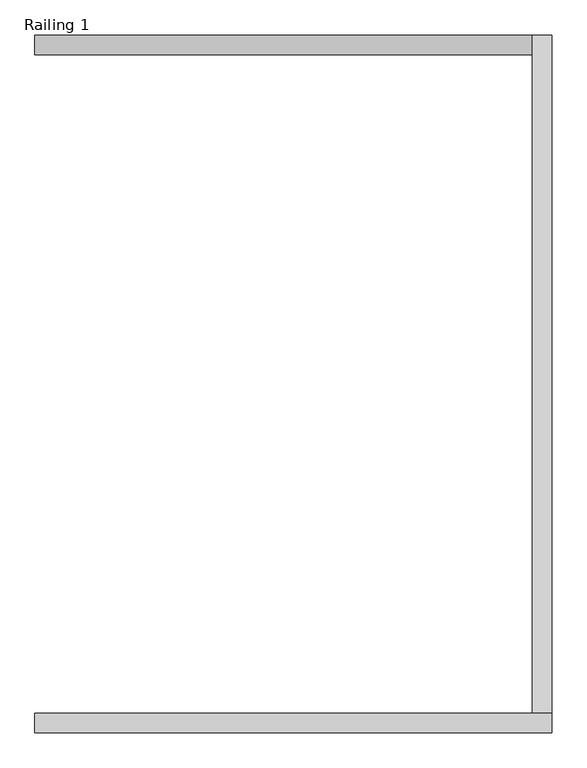
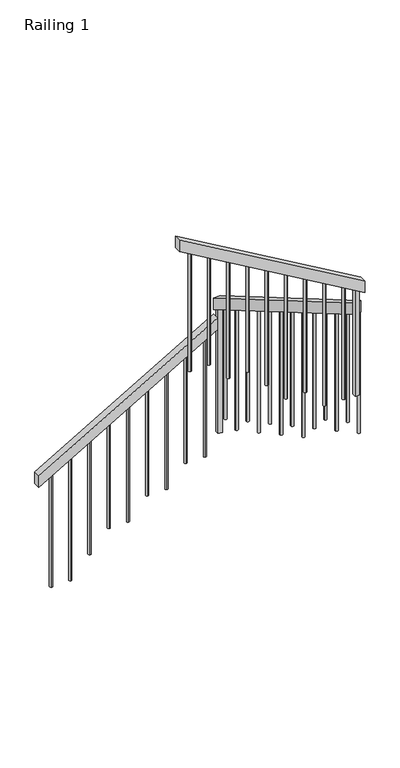
"""IFC4 building model written with IfcOpenShell, lengths in millimetres: railing geometry, Railing 1."""

from ifc_helpers import new_model, si_unit, frame, origin, place, context, project, spatial, polyline, circle_curve, ellipse_curve, outline, extrude, source, transform, mapped, element, save
from ifc_brep_helpers import plane_surface, cylinder_surface, advanced_brep


def railing_1_93be4c12(model_context):
    return source(origin(), model_context, "Body", "SolidModel", [
        extrude(outline(polyline([(1052.0, 4155.1809005), (963.733716, 4155.1809005), (1723.733716, 5455.1809005), (1812.0, 5455.1809005), (1052.0, 4155.1809005)])), frame((0.0, 948.1591595, 0.0), z_axis=(0.0, 1.0, 0.0), x_axis=(0.0, 0.0, 1.0)), (0.0, 0.0, 1.0), 50.8),
        extrude(outline(polyline([(998.9591595, 1934.3015385), (998.9591595, 1846.0352545), (-771.8408405, 2881.2721775), (-771.8408405, 2969.5384615), (998.9591595, 1934.3015385)])), frame((5455.1809005, 0.0, 0.0), z_axis=(1.0, 0.0, 0.0), x_axis=(0.0, 1.0, 0.0)), (0.0, 0.0, 1.0), 50.8),
        extrude(outline(polyline([(3062.0352545, 5505.9809005), (3150.3015385, 5505.9809005), (3940.0, 4155.1809005), (3851.733716, 4155.1809005), (3062.0352545, 5505.9809005)])), frame((0.0, -822.6408405, 0.0), z_axis=(0.0, 1.0, 0.0), x_axis=(0.0, 0.0, 1.0)), (0.0, 0.0, 1.0), 50.8),
        advanced_brep(
        [(4245.1809005, -787.2408405, 3799.1183314), (4245.1809005, -787.2408405, 2888.0), (4245.1809005, -807.2408405, 2888.0), (4245.1809005, -807.2408405, 3799.1183314)],
        [
            (0, 1),
            (1, 2, circle_curve(frame((4245.1809005, -797.2408405, 2888.0), z_axis=(0.0, 0.0, 1.0), x_axis=(0.0, -1.0, 0.0)), 10.0)),
            (2, 3),
            (3, 0, ellipse_curve(frame((4245.1809005, -797.2408405, 3799.1183314), z_axis=(-0.5046965873311554, 0.0, -0.8632967941190824), x_axis=(-0.8632967941190824, 0.0, 0.5046965873311554)), 11.5835018, 10.0)),
            (0, 3, ellipse_curve(frame((4245.1809005, -797.2408405, 3799.1183314), z_axis=(-0.5046965873311554, 0.0, -0.8632967941190824), x_axis=(-0.8632967941190824, 0.0, 0.5046965873311554)), 11.5835018, 10.0)),
            (2, 1, circle_curve(frame((4245.1809005, -797.2408405, 2888.0), z_axis=(0.0, 0.0, 1.0), x_axis=(0.0, -1.0, 0.0)), 10.0)),
        ],
        [
            cylinder_surface(frame((4245.1809005, -797.2408405, 2788.0), z_axis=(0.0, 0.0, 1.0), x_axis=(0.0, -1.0, 0.0)), 10.0),
            plane_surface(frame((4225.1809005, -817.2408405, 3810.8106391), z_axis=(0.5046965873311554, 0.0, 0.8632967941190824), x_axis=(0.0, 1.0, 0.0))),
            plane_surface(frame((4265.1809005, -817.2408405, 2888.0), z_axis=(0.0, 0.0, -1.0), x_axis=(0.0, 1.0, 0.0))),
        ],
        [
            (0, [[1, 2, 3, 4]]),
            (0, [[-1, 5, -3, 6]]),
            (1, [[-4, -5]]),
            (2, [[-2, -6]]),
        ],
    ),
        advanced_brep(
        [(4385.1809005, -787.2408405, 3717.2721775), (4385.1809005, -787.2408405, 2888.0), (4385.1809005, -807.2408405, 2888.0), (4385.1809005, -807.2408405, 3717.2721775)],
        [
            (0, 1),
            (1, 2, circle_curve(frame((4385.1809005, -797.2408405, 2888.0), z_axis=(0.0, 0.0, 1.0), x_axis=(0.0, -1.0, 0.0)), 10.0)),
            (2, 3),
            (3, 0, ellipse_curve(frame((4385.1809005, -797.2408405, 3717.2721775), z_axis=(-0.5046965873311554, 0.0, -0.8632967941190824), x_axis=(-0.8632967941190824, 0.0, 0.5046965873311554)), 11.5835018, 10.0)),
            (0, 3, ellipse_curve(frame((4385.1809005, -797.2408405, 3717.2721775), z_axis=(-0.5046965873311554, 0.0, -0.8632967941190824), x_axis=(-0.8632967941190824, 0.0, 0.5046965873311554)), 11.5835018, 10.0)),
            (2, 1, circle_curve(frame((4385.1809005, -797.2408405, 2888.0), z_axis=(0.0, 0.0, 1.0), x_axis=(0.0, -1.0, 0.0)), 10.0)),
        ],
        [
            cylinder_surface(frame((4385.1809005, -797.2408405, 2788.0), z_axis=(0.0, 0.0, 1.0), x_axis=(0.0, -1.0, 0.0)), 10.0),
            plane_surface(frame((4365.1809005, -817.2408405, 3728.9644852), z_axis=(0.5046965873311554, 0.0, 0.8632967941190824), x_axis=(0.0, 1.0, 0.0))),
            plane_surface(frame((4405.1809005, -817.2408405, 2888.0), z_axis=(0.0, 0.0, -1.0), x_axis=(0.0, 1.0, 0.0))),
        ],
        [
            (0, [[1, 2, 3, 4]]),
            (0, [[-1, 5, -3, 6]]),
            (1, [[-4, -5]]),
            (2, [[-2, -6]]),
        ],
    ),
        advanced_brep(
        [(4525.1809005, -787.2408405, 3635.4260237), (4525.1809005, -787.2408405, 2736.0), (4525.1809005, -807.2408405, 2736.0), (4525.1809005, -807.2408405, 3635.4260237)],
        [
            (0, 1),
            (1, 2, circle_curve(frame((4525.1809005, -797.2408405, 2736.0), z_axis=(0.0, 0.0, 1.0), x_axis=(0.0, -1.0, 0.0)), 10.0)),
            (2, 3),
            (3, 0, ellipse_curve(frame((4525.1809005, -797.2408405, 3635.4260237), z_axis=(-0.5046965873311554, 0.0, -0.8632967941190824), x_axis=(-0.8632967941190824, 0.0, 0.5046965873311554)), 11.5835018, 10.0)),
            (0, 3, ellipse_curve(frame((4525.1809005, -797.2408405, 3635.4260237), z_axis=(-0.5046965873311554, 0.0, -0.8632967941190824), x_axis=(-0.8632967941190824, 0.0, 0.5046965873311554)), 11.5835018, 10.0)),
            (2, 1, circle_curve(frame((4525.1809005, -797.2408405, 2736.0), z_axis=(0.0, 0.0, 1.0), x_axis=(0.0, -1.0, 0.0)), 10.0)),
        ],
        [
            cylinder_surface(frame((4525.1809005, -797.2408405, 2636.0), z_axis=(0.0, 0.0, 1.0), x_axis=(0.0, -1.0, 0.0)), 10.0),
            plane_surface(frame((4505.1809005, -817.2408405, 3647.1183314), z_axis=(0.5046965873311554, 0.0, 0.8632967941190824), x_axis=(0.0, 1.0, 0.0))),
            plane_surface(frame((4545.1809005, -817.2408405, 2736.0), z_axis=(0.0, 0.0, -1.0), x_axis=(0.0, 1.0, 0.0))),
        ],
        [
            (0, [[1, 2, 3, 4]]),
            (0, [[-1, 5, -3, 6]]),
            (1, [[-4, -5]]),
            (2, [[-2, -6]]),
        ],
    ),
        advanced_brep(
        [(4665.1809005, -787.2408405, 3553.5798699), (4665.1809005, -787.2408405, 2736.0), (4665.1809005, -807.2408405, 2736.0), (4665.1809005, -807.2408405, 3553.5798699)],
        [
            (0, 1),
            (1, 2, circle_curve(frame((4665.1809005, -797.2408405, 2736.0), z_axis=(0.0, 0.0, 1.0), x_axis=(0.0, -1.0, 0.0)), 10.0)),
            (2, 3),
            (3, 0, ellipse_curve(frame((4665.1809005, -797.2408405, 3553.5798699), z_axis=(-0.5046965873311554, 0.0, -0.8632967941190824), x_axis=(-0.8632967941190824, 0.0, 0.5046965873311554)), 11.5835018, 10.0)),
            (0, 3, ellipse_curve(frame((4665.1809005, -797.2408405, 3553.5798699), z_axis=(-0.5046965873311554, 0.0, -0.8632967941190824), x_axis=(-0.8632967941190824, 0.0, 0.5046965873311554)), 11.5835018, 10.0)),
            (2, 1, circle_curve(frame((4665.1809005, -797.2408405, 2736.0), z_axis=(0.0, 0.0, 1.0), x_axis=(0.0, -1.0, 0.0)), 10.0)),
        ],
        [
            cylinder_surface(frame((4665.1809005, -797.2408405, 2636.0), z_axis=(0.0, 0.0, 1.0), x_axis=(0.0, -1.0, 0.0)), 10.0),
            plane_surface(frame((4645.1809005, -817.2408405, 3565.2721775), z_axis=(0.5046965873311554, 0.0, 0.8632967941190824), x_axis=(0.0, 1.0, 0.0))),
            plane_surface(frame((4685.1809005, -817.2408405, 2736.0), z_axis=(0.0, 0.0, -1.0), x_axis=(0.0, 1.0, 0.0))),
        ],
        [
            (0, [[1, 2, 3, 4]]),
            (0, [[-1, 5, -3, 6]]),
            (1, [[-4, -5]]),
            (2, [[-2, -6]]),
        ],
    ),
        advanced_brep(
        [(4805.1809005, -787.2408405, 3471.733716), (4805.1809005, -787.2408405, 2584.0), (4805.1809005, -807.2408405, 2584.0), (4805.1809005, -807.2408405, 3471.733716)],
        [
            (0, 1),
            (1, 2, circle_curve(frame((4805.1809005, -797.2408405, 2584.0), z_axis=(0.0, 0.0, 1.0), x_axis=(0.0, -1.0, 0.0)), 10.0)),
            (2, 3),
            (3, 0, ellipse_curve(frame((4805.1809005, -797.2408405, 3471.733716), z_axis=(-0.5046965873311554, 0.0, -0.8632967941190824), x_axis=(-0.8632967941190824, 0.0, 0.5046965873311554)), 11.5835018, 10.0)),
            (0, 3, ellipse_curve(frame((4805.1809005, -797.2408405, 3471.733716), z_axis=(-0.5046965873311554, 0.0, -0.8632967941190824), x_axis=(-0.8632967941190824, 0.0, 0.5046965873311554)), 11.5835018, 10.0)),
            (2, 1, circle_curve(frame((4805.1809005, -797.2408405, 2584.0), z_axis=(0.0, 0.0, 1.0), x_axis=(0.0, -1.0, 0.0)), 10.0)),
        ],
        [
            cylinder_surface(frame((4805.1809005, -797.2408405, 2484.0), z_axis=(0.0, 0.0, 1.0), x_axis=(0.0, -1.0, 0.0)), 10.0),
            plane_surface(frame((4785.1809005, -817.2408405, 3483.4260237), z_axis=(0.5046965873311554, 0.0, 0.8632967941190824), x_axis=(0.0, 1.0, 0.0))),
            plane_surface(frame((4825.1809005, -817.2408405, 2584.0), z_axis=(0.0, 0.0, -1.0), x_axis=(0.0, 1.0, 0.0))),
        ],
        [
            (0, [[1, 2, 3, 4]]),
            (0, [[-1, 5, -3, 6]]),
            (1, [[-4, -5]]),
            (2, [[-2, -6]]),
        ],
    ),
        advanced_brep(
        [(4945.1809005, -787.2408405, 3389.8875622), (4945.1809005, -787.2408405, 2432.0), (4945.1809005, -807.2408405, 2432.0), (4945.1809005, -807.2408405, 3389.8875622)],
        [
            (0, 1),
            (1, 2, circle_curve(frame((4945.1809005, -797.2408405, 2432.0), z_axis=(0.0, 0.0, 1.0), x_axis=(0.0, -1.0, 0.0)), 10.0)),
            (2, 3),
            (3, 0, ellipse_curve(frame((4945.1809005, -797.2408405, 3389.8875622), z_axis=(-0.5046965873311532, 0.0, -0.8632967941190838), x_axis=(-0.8632967941190838, 0.0, 0.504696587331153)), 11.5835018, 10.0)),
            (0, 3, ellipse_curve(frame((4945.1809005, -797.2408405, 3389.8875622), z_axis=(-0.5046965873311532, 0.0, -0.8632967941190838), x_axis=(-0.8632967941190838, 0.0, 0.504696587331153)), 11.5835018, 10.0)),
            (2, 1, circle_curve(frame((4945.1809005, -797.2408405, 2432.0), z_axis=(0.0, 0.0, 1.0), x_axis=(0.0, -1.0, 0.0)), 10.0)),
        ],
        [
            cylinder_surface(frame((4945.1809005, -797.2408405, 2332.0), z_axis=(0.0, 0.0, 1.0), x_axis=(0.0, -1.0, 0.0)), 10.0),
            plane_surface(frame((4925.1809005, -817.2408405, 3401.5798699), z_axis=(0.5046965873311532, 0.0, 0.8632967941190838), x_axis=(0.0, 1.0, 0.0))),
            plane_surface(frame((4965.1809005, -817.2408405, 2432.0), z_axis=(0.0, 0.0, -1.0), x_axis=(0.0, 1.0, 0.0))),
        ],
        [
            (0, [[1, 2, 3, 4]]),
            (0, [[-1, 5, -3, 6]]),
            (1, [[-4, -5]]),
            (2, [[-2, -6]]),
        ],
    ),
        advanced_brep(
        [(5085.1809005, -787.2408405, 3308.0414083), (5085.1809005, -787.2408405, 2432.0), (5085.1809005, -807.2408405, 2432.0), (5085.1809005, -807.2408405, 3308.0414083)],
        [
            (0, 1),
            (1, 2, circle_curve(frame((5085.1809005, -797.2408405, 2432.0), z_axis=(0.0, 0.0, 1.0), x_axis=(0.0, -1.0, 0.0)), 10.0)),
            (2, 3),
            (3, 0, ellipse_curve(frame((5085.1809005, -797.2408405, 3308.0414083), z_axis=(-0.5046965873311554, 0.0, -0.8632967941190824), x_axis=(-0.8632967941190824, 0.0, 0.5046965873311554)), 11.5835018, 10.0)),
            (0, 3, ellipse_curve(frame((5085.1809005, -797.2408405, 3308.0414083), z_axis=(-0.5046965873311554, 0.0, -0.8632967941190824), x_axis=(-0.8632967941190824, 0.0, 0.5046965873311554)), 11.5835018, 10.0)),
            (2, 1, circle_curve(frame((5085.1809005, -797.2408405, 2432.0), z_axis=(0.0, 0.0, 1.0), x_axis=(0.0, -1.0, 0.0)), 10.0)),
        ],
        [
            cylinder_surface(frame((5085.1809005, -797.2408405, 2332.0), z_axis=(0.0, 0.0, 1.0), x_axis=(0.0, -1.0, 0.0)), 10.0),
            plane_surface(frame((5065.1809005, -817.2408405, 3319.733716), z_axis=(0.5046965873311554, 0.0, 0.8632967941190824), x_axis=(0.0, 1.0, 0.0))),
            plane_surface(frame((5105.1809005, -817.2408405, 2432.0), z_axis=(0.0, 0.0, -1.0), x_axis=(0.0, 1.0, 0.0))),
        ],
        [
            (0, [[1, 2, 3, 4]]),
            (0, [[-1, 5, -3, 6]]),
            (1, [[-4, -5]]),
            (2, [[-2, -6]]),
        ],
    ),
        advanced_brep(
        [(5225.1809005, -787.2408405, 3226.1952545), (5225.1809005, -787.2408405, 2280.0), (5225.1809005, -807.2408405, 2280.0), (5225.1809005, -807.2408405, 3226.1952545)],
        [
            (0, 1),
            (1, 2, circle_curve(frame((5225.1809005, -797.2408405, 2280.0), z_axis=(0.0, 0.0, 1.0), x_axis=(0.0, -1.0, 0.0)), 10.0)),
            (2, 3),
            (3, 0, ellipse_curve(frame((5225.1809005, -797.2408405, 3226.1952545), z_axis=(-0.5046965873311554, 0.0, -0.8632967941190824), x_axis=(-0.8632967941190824, 0.0, 0.5046965873311554)), 11.5835018, 10.0)),
            (0, 3, ellipse_curve(frame((5225.1809005, -797.2408405, 3226.1952545), z_axis=(-0.5046965873311554, 0.0, -0.8632967941190824), x_axis=(-0.8632967941190824, 0.0, 0.5046965873311554)), 11.5835018, 10.0)),
            (2, 1, circle_curve(frame((5225.1809005, -797.2408405, 2280.0), z_axis=(0.0, 0.0, 1.0), x_axis=(0.0, -1.0, 0.0)), 10.0)),
        ],
        [
            cylinder_surface(frame((5225.1809005, -797.2408405, 2180.0), z_axis=(0.0, 0.0, 1.0), x_axis=(0.0, -1.0, 0.0)), 10.0),
            plane_surface(frame((5205.1809005, -817.2408405, 3237.8875622), z_axis=(0.5046965873311554, 0.0, 0.8632967941190824), x_axis=(0.0, 1.0, 0.0))),
            plane_surface(frame((5245.1809005, -817.2408405, 2280.0), z_axis=(0.0, 0.0, -1.0), x_axis=(0.0, 1.0, 0.0))),
        ],
        [
            (0, [[1, 2, 3, 4]]),
            (0, [[-1, 5, -3, 6]]),
            (1, [[-4, -5]]),
            (2, [[-2, -6]]),
        ],
    ),
        advanced_brep(
        [(5365.1809005, -787.2408405, 3144.3491006), (5365.1809005, -787.2408405, 2280.0), (5365.1809005, -807.2408405, 2280.0), (5365.1809005, -807.2408405, 3144.3491006)],
        [
            (0, 1),
            (1, 2, circle_curve(frame((5365.1809005, -797.2408405, 2280.0), z_axis=(0.0, 0.0, 1.0), x_axis=(0.0, -1.0, 0.0)), 10.0)),
            (2, 3),
            (3, 0, ellipse_curve(frame((5365.1809005, -797.2408405, 3144.3491006), z_axis=(-0.5046965873311554, 0.0, -0.8632967941190824), x_axis=(-0.8632967941190824, 0.0, 0.5046965873311554)), 11.5835018, 10.0)),
            (0, 3, ellipse_curve(frame((5365.1809005, -797.2408405, 3144.3491006), z_axis=(-0.5046965873311554, 0.0, -0.8632967941190824), x_axis=(-0.8632967941190824, 0.0, 0.5046965873311554)), 11.5835018, 10.0)),
            (2, 1, circle_curve(frame((5365.1809005, -797.2408405, 2280.0), z_axis=(0.0, 0.0, 1.0), x_axis=(0.0, -1.0, 0.0)), 10.0)),
        ],
        [
            cylinder_surface(frame((5365.1809005, -797.2408405, 2180.0), z_axis=(0.0, 0.0, 1.0), x_axis=(0.0, -1.0, 0.0)), 10.0),
            plane_surface(frame((5345.1809005, -817.2408405, 3156.0414083), z_axis=(0.5046965873311554, 0.0, 0.8632967941190824), x_axis=(0.0, 1.0, 0.0))),
            plane_surface(frame((5385.1809005, -817.2408405, 2280.0), z_axis=(0.0, 0.0, -1.0), x_axis=(0.0, 1.0, 0.0))),
        ],
        [
            (0, [[1, 2, 3, 4]]),
            (0, [[-1, 5, -3, 6]]),
            (1, [[-4, -5]]),
            (2, [[-2, -6]]),
        ],
    ),
        advanced_brep(
        [(5470.5809005, -789.1408405, 2891.3860237), (5470.5809005, -789.1408405, 1976.0), (5490.5809005, -789.1408405, 1976.0), (5490.5809005, -789.1408405, 2891.3860237)],
        [
            (0, 1),
            (1, 2, circle_curve(frame((5480.5809005, -789.1408405, 1976.0), z_axis=(0.0, 0.0, 1.0), x_axis=(1.0, 0.0, 0.0)), 10.0)),
            (2, 3),
            (3, 0, ellipse_curve(frame((5480.5809005, -789.1408405, 2891.3860237), z_axis=(0.0, -0.5046965873311554, -0.8632967941190824), x_axis=(0.0, -0.8632967941190824, 0.5046965873311554)), 11.5835018, 10.0)),
            (0, 3, ellipse_curve(frame((5480.5809005, -789.1408405, 2891.3860237), z_axis=(0.0, -0.5046965873311554, -0.8632967941190824), x_axis=(0.0, -0.8632967941190824, 0.5046965873311554)), 11.5835018, 10.0)),
            (2, 1, circle_curve(frame((5480.5809005, -789.1408405, 1976.0), z_axis=(0.0, 0.0, 1.0), x_axis=(1.0, 0.0, 0.0)), 10.0)),
        ],
        [
            cylinder_surface(frame((5480.5809005, -789.1408405, 1876.0), z_axis=(0.0, 0.0, 1.0), x_axis=(1.0, 0.0, 0.0)), 10.0),
            plane_surface(frame((5500.5809005, -809.1408405, 2903.0783314), z_axis=(0.0, 0.5046965873311554, 0.8632967941190824), x_axis=(-1.0, 0.0, 0.0))),
            plane_surface(frame((5500.5809005, -769.1408405, 1976.0), z_axis=(0.0, 0.0, -1.0), x_axis=(-1.0, 0.0, 0.0))),
        ],
        [
            (0, [[1, 2, 3, 4]]),
            (0, [[-1, 5, -3, 6]]),
            (1, [[-4, -5]]),
            (2, [[-2, -6]]),
        ],
    ),
        advanced_brep(
        [(5470.5809005, -649.1408405, 2809.5398699), (5470.5809005, -649.1408405, 1976.0), (5490.5809005, -649.1408405, 1976.0), (5490.5809005, -649.1408405, 2809.5398699)],
        [
            (0, 1),
            (1, 2, circle_curve(frame((5480.5809005, -649.1408405, 1976.0), z_axis=(0.0, 0.0, 1.0), x_axis=(1.0, 0.0, 0.0)), 10.0)),
            (2, 3),
            (3, 0, ellipse_curve(frame((5480.5809005, -649.1408405, 2809.5398699), z_axis=(0.0, -0.5046965873311554, -0.8632967941190824), x_axis=(0.0, -0.8632967941190824, 0.5046965873311554)), 11.5835018, 10.0)),
            (0, 3, ellipse_curve(frame((5480.5809005, -649.1408405, 2809.5398699), z_axis=(0.0, -0.5046965873311554, -0.8632967941190824), x_axis=(0.0, -0.8632967941190824, 0.5046965873311554)), 11.5835018, 10.0)),
            (2, 1, circle_curve(frame((5480.5809005, -649.1408405, 1976.0), z_axis=(0.0, 0.0, 1.0), x_axis=(1.0, 0.0, 0.0)), 10.0)),
        ],
        [
            cylinder_surface(frame((5480.5809005, -649.1408405, 1876.0), z_axis=(0.0, 0.0, 1.0), x_axis=(1.0, 0.0, 0.0)), 10.0),
            plane_surface(frame((5500.5809005, -669.1408405, 2821.2321775), z_axis=(0.0, 0.5046965873311554, 0.8632967941190824), x_axis=(-1.0, 0.0, 0.0))),
            plane_surface(frame((5500.5809005, -629.1408405, 1976.0), z_axis=(0.0, 0.0, -1.0), x_axis=(-1.0, 0.0, 0.0))),
        ],
        [
            (0, [[1, 2, 3, 4]]),
            (0, [[-1, 5, -3, 6]]),
            (1, [[-4, -5]]),
            (2, [[-2, -6]]),
        ],
    ),
        advanced_brep(
        [(5470.5809005, -509.1408405, 2727.693716), (5470.5809005, -509.1408405, 1824.0), (5490.5809005, -509.1408405, 1824.0), (5490.5809005, -509.1408405, 2727.693716)],
        [
            (0, 1),
            (1, 2, circle_curve(frame((5480.5809005, -509.1408405, 1824.0), z_axis=(0.0, 0.0, 1.0), x_axis=(1.0, 0.0, 0.0)), 10.0)),
            (2, 3),
            (3, 0, ellipse_curve(frame((5480.5809005, -509.1408405, 2727.693716), z_axis=(0.0, -0.5046965873311576, -0.8632967941190812), x_axis=(0.0, -0.8632967941190812, 0.5046965873311574)), 11.5835018, 10.0)),
            (0, 3, ellipse_curve(frame((5480.5809005, -509.1408405, 2727.693716), z_axis=(0.0, -0.5046965873311576, -0.8632967941190812), x_axis=(0.0, -0.8632967941190812, 0.5046965873311574)), 11.5835018, 10.0)),
            (2, 1, circle_curve(frame((5480.5809005, -509.1408405, 1824.0), z_axis=(0.0, 0.0, 1.0), x_axis=(1.0, 0.0, 0.0)), 10.0)),
        ],
        [
            cylinder_surface(frame((5480.5809005, -509.1408405, 1724.0), z_axis=(0.0, 0.0, 1.0), x_axis=(1.0, 0.0, 0.0)), 10.0),
            plane_surface(frame((5500.5809005, -529.1408405, 2739.3860237), z_axis=(0.0, 0.5046965873311576, 0.8632967941190812), x_axis=(-1.0, 0.0, 0.0))),
            plane_surface(frame((5500.5809005, -489.1408405, 1824.0), z_axis=(0.0, 0.0, -1.0), x_axis=(-1.0, 0.0, 0.0))),
        ],
        [
            (0, [[1, 2, 3, 4]]),
            (0, [[-1, 5, -3, 6]]),
            (1, [[-4, -5]]),
            (2, [[-2, -6]]),
        ],
    ),
        advanced_brep(
        [(5470.5809005, -369.1408405, 2645.8475622), (5470.5809005, -369.1408405, 1824.0), (5490.5809005, -369.1408405, 1824.0), (5490.5809005, -369.1408405, 2645.8475622)],
        [
            (0, 1),
            (1, 2, circle_curve(frame((5480.5809005, -369.1408405, 1824.0), z_axis=(0.0, 0.0, 1.0), x_axis=(1.0, 0.0, 0.0)), 10.0)),
            (2, 3),
            (3, 0, ellipse_curve(frame((5480.5809005, -369.1408405, 2645.8475622), z_axis=(0.0, -0.5046965873311554, -0.8632967941190824), x_axis=(0.0, -0.8632967941190824, 0.5046965873311554)), 11.5835018, 10.0)),
            (0, 3, ellipse_curve(frame((5480.5809005, -369.1408405, 2645.8475622), z_axis=(0.0, -0.5046965873311554, -0.8632967941190824), x_axis=(0.0, -0.8632967941190824, 0.5046965873311554)), 11.5835018, 10.0)),
            (2, 1, circle_curve(frame((5480.5809005, -369.1408405, 1824.0), z_axis=(0.0, 0.0, 1.0), x_axis=(1.0, 0.0, 0.0)), 10.0)),
        ],
        [
            cylinder_surface(frame((5480.5809005, -369.1408405, 1724.0), z_axis=(0.0, 0.0, 1.0), x_axis=(1.0, 0.0, 0.0)), 10.0),
            plane_surface(frame((5500.5809005, -389.1408405, 2657.5398699), z_axis=(0.0, 0.5046965873311554, 0.8632967941190824), x_axis=(-1.0, 0.0, 0.0))),
            plane_surface(frame((5500.5809005, -349.1408405, 1824.0), z_axis=(0.0, 0.0, -1.0), x_axis=(-1.0, 0.0, 0.0))),
        ],
        [
            (0, [[1, 2, 3, 4]]),
            (0, [[-1, 5, -3, 6]]),
            (1, [[-4, -5]]),
            (2, [[-2, -6]]),
        ],
    ),
        advanced_brep(
        [(5470.5809005, -229.1408405, 2564.0014083), (5470.5809005, -229.1408405, 1672.0), (5490.5809005, -229.1408405, 1672.0), (5490.5809005, -229.1408405, 2564.0014083)],
        [
            (0, 1),
            (1, 2, circle_curve(frame((5480.5809005, -229.1408405, 1672.0), z_axis=(0.0, 0.0, 1.0), x_axis=(1.0, 0.0, 0.0)), 10.0)),
            (2, 3),
            (3, 0, ellipse_curve(frame((5480.5809005, -229.1408405, 2564.0014083), z_axis=(0.0, -0.5046965873311576, -0.8632967941190812), x_axis=(0.0, -0.8632967941190812, 0.5046965873311574)), 11.5835018, 10.0)),
            (0, 3, ellipse_curve(frame((5480.5809005, -229.1408405, 2564.0014083), z_axis=(0.0, -0.5046965873311576, -0.8632967941190812), x_axis=(0.0, -0.8632967941190812, 0.5046965873311574)), 11.5835018, 10.0)),
            (2, 1, circle_curve(frame((5480.5809005, -229.1408405, 1672.0), z_axis=(0.0, 0.0, 1.0), x_axis=(1.0, 0.0, 0.0)), 10.0)),
        ],
        [
            cylinder_surface(frame((5480.5809005, -229.1408405, 1572.0), z_axis=(0.0, 0.0, 1.0), x_axis=(1.0, 0.0, 0.0)), 10.0),
            plane_surface(frame((5500.5809005, -249.1408405, 2575.693716), z_axis=(0.0, 0.5046965873311576, 0.8632967941190812), x_axis=(-1.0, 0.0, 0.0))),
            plane_surface(frame((5500.5809005, -209.1408405, 1672.0), z_axis=(0.0, 0.0, -1.0), x_axis=(-1.0, 0.0, 0.0))),
        ],
        [
            (0, [[1, 2, 3, 4]]),
            (0, [[-1, 5, -3, 6]]),
            (1, [[-4, -5]]),
            (2, [[-2, -6]]),
        ],
    ),
        advanced_brep(
        [(5470.5809005, -89.1408405, 2482.1552545), (5470.5809005, -89.1408405, 1520.0), (5490.5809005, -89.1408405, 1520.0), (5490.5809005, -89.1408405, 2482.1552545)],
        [
            (0, 1),
            (1, 2, circle_curve(frame((5480.5809005, -89.1408405, 1520.0), z_axis=(0.0, 0.0, 1.0), x_axis=(1.0, 0.0, 0.0)), 10.0)),
            (2, 3),
            (3, 0, ellipse_curve(frame((5480.5809005, -89.1408405, 2482.1552545), z_axis=(0.0, -0.5046965873311576, -0.8632967941190812), x_axis=(0.0, -0.8632967941190812, 0.5046965873311574)), 11.5835018, 10.0)),
            (0, 3, ellipse_curve(frame((5480.5809005, -89.1408405, 2482.1552545), z_axis=(0.0, -0.5046965873311576, -0.8632967941190812), x_axis=(0.0, -0.8632967941190812, 0.5046965873311574)), 11.5835018, 10.0)),
            (2, 1, circle_curve(frame((5480.5809005, -89.1408405, 1520.0), z_axis=(0.0, 0.0, 1.0), x_axis=(1.0, 0.0, 0.0)), 10.0)),
        ],
        [
            cylinder_surface(frame((5480.5809005, -89.1408405, 1420.0), z_axis=(0.0, 0.0, 1.0), x_axis=(1.0, 0.0, 0.0)), 10.0),
            plane_surface(frame((5500.5809005, -109.1408405, 2493.8475622), z_axis=(0.0, 0.5046965873311576, 0.8632967941190812), x_axis=(-1.0, 0.0, 0.0))),
            plane_surface(frame((5500.5809005, -69.1408405, 1520.0), z_axis=(0.0, 0.0, -1.0), x_axis=(-1.0, 0.0, 0.0))),
        ],
        [
            (0, [[1, 2, 3, 4]]),
            (0, [[-1, 5, -3, 6]]),
            (1, [[-4, -5]]),
            (2, [[-2, -6]]),
        ],
    ),
        advanced_brep(
        [(5470.5809005, 50.8591595, 2400.3091006), (5470.5809005, 50.8591595, 1520.0), (5490.5809005, 50.8591595, 1520.0), (5490.5809005, 50.8591595, 2400.3091006)],
        [
            (0, 1),
            (1, 2, circle_curve(frame((5480.5809005, 50.8591595, 1520.0), z_axis=(0.0, 0.0, 1.0), x_axis=(1.0, 0.0, 0.0)), 10.0)),
            (2, 3),
            (3, 0, ellipse_curve(frame((5480.5809005, 50.8591595, 2400.3091006), z_axis=(0.0, -0.5046965873311554, -0.8632967941190824), x_axis=(0.0, -0.8632967941190824, 0.5046965873311554)), 11.5835018, 10.0)),
            (0, 3, ellipse_curve(frame((5480.5809005, 50.8591595, 2400.3091006), z_axis=(0.0, -0.5046965873311554, -0.8632967941190824), x_axis=(0.0, -0.8632967941190824, 0.5046965873311554)), 11.5835018, 10.0)),
            (2, 1, circle_curve(frame((5480.5809005, 50.8591595, 1520.0), z_axis=(0.0, 0.0, 1.0), x_axis=(1.0, 0.0, 0.0)), 10.0)),
        ],
        [
            cylinder_surface(frame((5480.5809005, 50.8591595, 1420.0), z_axis=(0.0, 0.0, 1.0), x_axis=(1.0, 0.0, 0.0)), 10.0),
            plane_surface(frame((5500.5809005, 30.8591595, 2412.0014083), z_axis=(0.0, 0.5046965873311554, 0.8632967941190824), x_axis=(-1.0, 0.0, 0.0))),
            plane_surface(frame((5500.5809005, 70.8591595, 1520.0), z_axis=(0.0, 0.0, -1.0), x_axis=(-1.0, 0.0, 0.0))),
        ],
        [
            (0, [[1, 2, 3, 4]]),
            (0, [[-1, 5, -3, 6]]),
            (1, [[-4, -5]]),
            (2, [[-2, -6]]),
        ],
    ),
        advanced_brep(
        [(5470.5809005, 190.8591595, 2318.4629468), (5470.5809005, 190.8591595, 1368.0), (5490.5809005, 190.8591595, 1368.0), (5490.5809005, 190.8591595, 2318.4629468)],
        [
            (0, 1),
            (1, 2, circle_curve(frame((5480.5809005, 190.8591595, 1368.0), z_axis=(0.0, 0.0, 1.0), x_axis=(1.0, 0.0, 0.0)), 10.0)),
            (2, 3),
            (3, 0, ellipse_curve(frame((5480.5809005, 190.8591595, 2318.4629468), z_axis=(0.0, -0.5046965873311554, -0.8632967941190824), x_axis=(0.0, -0.8632967941190824, 0.5046965873311554)), 11.5835018, 10.0)),
            (0, 3, ellipse_curve(frame((5480.5809005, 190.8591595, 2318.4629468), z_axis=(0.0, -0.5046965873311554, -0.8632967941190824), x_axis=(0.0, -0.8632967941190824, 0.5046965873311554)), 11.5835018, 10.0)),
            (2, 1, circle_curve(frame((5480.5809005, 190.8591595, 1368.0), z_axis=(0.0, 0.0, 1.0), x_axis=(1.0, 0.0, 0.0)), 10.0)),
        ],
        [
            cylinder_surface(frame((5480.5809005, 190.8591595, 1268.0), z_axis=(0.0, 0.0, 1.0), x_axis=(1.0, 0.0, 0.0)), 10.0),
            plane_surface(frame((5500.5809005, 170.8591595, 2330.1552545), z_axis=(0.0, 0.5046965873311554, 0.8632967941190824), x_axis=(-1.0, 0.0, 0.0))),
            plane_surface(frame((5500.5809005, 210.8591595, 1368.0), z_axis=(0.0, 0.0, -1.0), x_axis=(-1.0, 0.0, 0.0))),
        ],
        [
            (0, [[1, 2, 3, 4]]),
            (0, [[-1, 5, -3, 6]]),
            (1, [[-4, -5]]),
            (2, [[-2, -6]]),
        ],
    ),
        advanced_brep(
        [(5470.5809005, 330.8591595, 2236.6167929), (5470.5809005, 330.8591595, 1368.0), (5490.5809005, 330.8591595, 1368.0), (5490.5809005, 330.8591595, 2236.6167929)],
        [
            (0, 1),
            (1, 2, circle_curve(frame((5480.5809005, 330.8591595, 1368.0), z_axis=(0.0, 0.0, 1.0), x_axis=(1.0, 0.0, 0.0)), 10.0)),
            (2, 3),
            (3, 0, ellipse_curve(frame((5480.5809005, 330.8591595, 2236.6167929), z_axis=(0.0, -0.5046965873311554, -0.8632967941190824), x_axis=(0.0, -0.8632967941190824, 0.5046965873311554)), 11.5835018, 10.0)),
            (0, 3, ellipse_curve(frame((5480.5809005, 330.8591595, 2236.6167929), z_axis=(0.0, -0.5046965873311554, -0.8632967941190824), x_axis=(0.0, -0.8632967941190824, 0.5046965873311554)), 11.5835018, 10.0)),
            (2, 1, circle_curve(frame((5480.5809005, 330.8591595, 1368.0), z_axis=(0.0, 0.0, 1.0), x_axis=(1.0, 0.0, 0.0)), 10.0)),
        ],
        [
            cylinder_surface(frame((5480.5809005, 330.8591595, 1268.0), z_axis=(0.0, 0.0, 1.0), x_axis=(1.0, 0.0, 0.0)), 10.0),
            plane_surface(frame((5500.5809005, 310.8591595, 2248.3091006), z_axis=(0.0, 0.5046965873311554, 0.8632967941190824), x_axis=(-1.0, 0.0, 0.0))),
            plane_surface(frame((5500.5809005, 350.8591595, 1368.0), z_axis=(0.0, 0.0, -1.0), x_axis=(-1.0, 0.0, 0.0))),
        ],
        [
            (0, [[1, 2, 3, 4]]),
            (0, [[-1, 5, -3, 6]]),
            (1, [[-4, -5]]),
            (2, [[-2, -6]]),
        ],
    ),
        advanced_brep(
        [(5470.5809005, 470.8591595, 2154.7706391), (5470.5809005, 470.8591595, 1216.0), (5490.5809005, 470.8591595, 1216.0), (5490.5809005, 470.8591595, 2154.7706391)],
        [
            (0, 1),
            (1, 2, circle_curve(frame((5480.5809005, 470.8591595, 1216.0), z_axis=(0.0, 0.0, 1.0), x_axis=(1.0, 0.0, 0.0)), 10.0)),
            (2, 3),
            (3, 0, ellipse_curve(frame((5480.5809005, 470.8591595, 2154.7706391), z_axis=(0.0, -0.5046965873311554, -0.8632967941190824), x_axis=(0.0, -0.8632967941190824, 0.5046965873311554)), 11.5835018, 10.0)),
            (0, 3, ellipse_curve(frame((5480.5809005, 470.8591595, 2154.7706391), z_axis=(0.0, -0.5046965873311554, -0.8632967941190824), x_axis=(0.0, -0.8632967941190824, 0.5046965873311554)), 11.5835018, 10.0)),
            (2, 1, circle_curve(frame((5480.5809005, 470.8591595, 1216.0), z_axis=(0.0, 0.0, 1.0), x_axis=(1.0, 0.0, 0.0)), 10.0)),
        ],
        [
            cylinder_surface(frame((5480.5809005, 470.8591595, 1116.0), z_axis=(0.0, 0.0, 1.0), x_axis=(1.0, 0.0, 0.0)), 10.0),
            plane_surface(frame((5500.5809005, 450.8591595, 2166.4629468), z_axis=(0.0, 0.5046965873311554, 0.8632967941190824), x_axis=(-1.0, 0.0, 0.0))),
            plane_surface(frame((5500.5809005, 490.8591595, 1216.0), z_axis=(0.0, 0.0, -1.0), x_axis=(-1.0, 0.0, 0.0))),
        ],
        [
            (0, [[1, 2, 3, 4]]),
            (0, [[-1, 5, -3, 6]]),
            (1, [[-4, -5]]),
            (2, [[-2, -6]]),
        ],
    ),
        advanced_brep(
        [(5470.5809005, 610.8591595, 2072.9244852), (5470.5809005, 610.8591595, 1216.0), (5490.5809005, 610.8591595, 1216.0), (5490.5809005, 610.8591595, 2072.9244852)],
        [
            (0, 1),
            (1, 2, circle_curve(frame((5480.5809005, 610.8591595, 1216.0), z_axis=(0.0, 0.0, 1.0), x_axis=(1.0, 0.0, 0.0)), 10.0)),
            (2, 3),
            (3, 0, ellipse_curve(frame((5480.5809005, 610.8591595, 2072.9244852), z_axis=(0.0, -0.5046965873311554, -0.8632967941190824), x_axis=(0.0, -0.8632967941190824, 0.5046965873311554)), 11.5835018, 10.0)),
            (0, 3, ellipse_curve(frame((5480.5809005, 610.8591595, 2072.9244852), z_axis=(0.0, -0.5046965873311554, -0.8632967941190824), x_axis=(0.0, -0.8632967941190824, 0.5046965873311554)), 11.5835018, 10.0)),
            (2, 1, circle_curve(frame((5480.5809005, 610.8591595, 1216.0), z_axis=(0.0, 0.0, 1.0), x_axis=(1.0, 0.0, 0.0)), 10.0)),
        ],
        [
            cylinder_surface(frame((5480.5809005, 610.8591595, 1116.0), z_axis=(0.0, 0.0, 1.0), x_axis=(1.0, 0.0, 0.0)), 10.0),
            plane_surface(frame((5500.5809005, 590.8591595, 2084.6167929), z_axis=(0.0, 0.5046965873311554, 0.8632967941190824), x_axis=(-1.0, 0.0, 0.0))),
            plane_surface(frame((5500.5809005, 630.8591595, 1216.0), z_axis=(0.0, 0.0, -1.0), x_axis=(-1.0, 0.0, 0.0))),
        ],
        [
            (0, [[1, 2, 3, 4]]),
            (0, [[-1, 5, -3, 6]]),
            (1, [[-4, -5]]),
            (2, [[-2, -6]]),
        ],
    ),
        advanced_brep(
        [(5470.5809005, 750.8591595, 1991.0783314), (5470.5809005, 750.8591595, 1064.0), (5490.5809005, 750.8591595, 1064.0), (5490.5809005, 750.8591595, 1991.0783314)],
        [
            (0, 1),
            (1, 2, circle_curve(frame((5480.5809005, 750.8591595, 1064.0), z_axis=(0.0, 0.0, 1.0), x_axis=(1.0, 0.0, 0.0)), 10.0)),
            (2, 3),
            (3, 0, ellipse_curve(frame((5480.5809005, 750.8591595, 1991.0783314), z_axis=(0.0, -0.5046965873311576, -0.8632967941190812), x_axis=(0.0, -0.8632967941190812, 0.5046965873311574)), 11.5835018, 10.0)),
            (0, 3, ellipse_curve(frame((5480.5809005, 750.8591595, 1991.0783314), z_axis=(0.0, -0.5046965873311576, -0.8632967941190812), x_axis=(0.0, -0.8632967941190812, 0.5046965873311574)), 11.5835018, 10.0)),
            (2, 1, circle_curve(frame((5480.5809005, 750.8591595, 1064.0), z_axis=(0.0, 0.0, 1.0), x_axis=(1.0, 0.0, 0.0)), 10.0)),
        ],
        [
            cylinder_surface(frame((5480.5809005, 750.8591595, 964.0), z_axis=(0.0, 0.0, 1.0), x_axis=(1.0, 0.0, 0.0)), 10.0),
            plane_surface(frame((5500.5809005, 730.8591595, 2002.7706391), z_axis=(0.0, 0.5046965873311576, 0.8632967941190812), x_axis=(-1.0, 0.0, 0.0))),
            plane_surface(frame((5500.5809005, 770.8591595, 1064.0), z_axis=(0.0, 0.0, -1.0), x_axis=(-1.0, 0.0, 0.0))),
        ],
        [
            (0, [[1, 2, 3, 4]]),
            (0, [[-1, 5, -3, 6]]),
            (1, [[-4, -5]]),
            (2, [[-2, -6]]),
        ],
    ),
        advanced_brep(
        [(5470.5809005, 890.8591595, 1909.2321775), (5470.5809005, 890.8591595, 1064.0), (5490.5809005, 890.8591595, 1064.0), (5490.5809005, 890.8591595, 1909.2321775)],
        [
            (0, 1),
            (1, 2, circle_curve(frame((5480.5809005, 890.8591595, 1064.0), z_axis=(0.0, 0.0, 1.0), x_axis=(1.0, 0.0, 0.0)), 10.0)),
            (2, 3),
            (3, 0, ellipse_curve(frame((5480.5809005, 890.8591595, 1909.2321775), z_axis=(0.0, -0.5046965873311554, -0.8632967941190824), x_axis=(0.0, -0.8632967941190824, 0.5046965873311554)), 11.5835018, 10.0)),
            (0, 3, ellipse_curve(frame((5480.5809005, 890.8591595, 1909.2321775), z_axis=(0.0, -0.5046965873311554, -0.8632967941190824), x_axis=(0.0, -0.8632967941190824, 0.5046965873311554)), 11.5835018, 10.0)),
            (2, 1, circle_curve(frame((5480.5809005, 890.8591595, 1064.0), z_axis=(0.0, 0.0, 1.0), x_axis=(1.0, 0.0, 0.0)), 10.0)),
        ],
        [
            cylinder_surface(frame((5480.5809005, 890.8591595, 964.0), z_axis=(0.0, 0.0, 1.0), x_axis=(1.0, 0.0, 0.0)), 10.0),
            plane_surface(frame((5500.5809005, 870.8591595, 1920.9244852), z_axis=(0.0, 0.5046965873311554, 0.8632967941190824), x_axis=(-1.0, 0.0, 0.0))),
            plane_surface(frame((5500.5809005, 910.8591595, 1064.0), z_axis=(0.0, 0.0, -1.0), x_axis=(-1.0, 0.0, 0.0))),
        ],
        [
            (0, [[1, 2, 3, 4]]),
            (0, [[-1, 5, -3, 6]]),
            (1, [[-4, -5]]),
            (2, [[-2, -6]]),
        ],
    ),
        advanced_brep(
        [(5377.8809005, 963.5591595, 1678.5429468), (5377.8809005, 963.5591595, 760.0), (5377.8809005, 983.5591595, 760.0), (5377.8809005, 983.5591595, 1678.5429468)],
        [
            (0, 1),
            (1, 2, circle_curve(frame((5377.8809005, 973.5591595, 760.0), z_axis=(0.0, 0.0, 1.0), x_axis=(0.0, 1.0, 0.0)), 10.0)),
            (2, 3),
            (3, 0, ellipse_curve(frame((5377.8809005, 973.5591595, 1678.5429468), z_axis=(0.5046965873311554, 0.0, -0.8632967941190824), x_axis=(0.8632967941190824, 0.0, 0.5046965873311554)), 11.5835018, 10.0)),
            (0, 3, ellipse_curve(frame((5377.8809005, 973.5591595, 1678.5429468), z_axis=(0.5046965873311554, 0.0, -0.8632967941190824), x_axis=(0.8632967941190824, 0.0, 0.5046965873311554)), 11.5835018, 10.0)),
            (2, 1, circle_curve(frame((5377.8809005, 973.5591595, 760.0), z_axis=(0.0, 0.0, 1.0), x_axis=(0.0, 1.0, 0.0)), 10.0)),
        ],
        [
            cylinder_surface(frame((5377.8809005, 973.5591595, 660.0), z_axis=(0.0, 0.0, 1.0), x_axis=(0.0, 1.0, 0.0)), 10.0),
            plane_surface(frame((5397.8809005, 993.5591595, 1690.2352545), z_axis=(-0.5046965873311554, 0.0, 0.8632967941190824), x_axis=(0.0, -1.0, 0.0))),
            plane_surface(frame((5357.8809005, 993.5591595, 760.0), z_axis=(0.0, 0.0, -1.0), x_axis=(0.0, -1.0, 0.0))),
        ],
        [
            (0, [[1, 2, 3, 4]]),
            (0, [[-1, 5, -3, 6]]),
            (1, [[-4, -5]]),
            (2, [[-2, -6]]),
        ],
    ),
        advanced_brep(
        [(5237.8809005, 963.5591595, 1596.6967929), (5237.8809005, 963.5591595, 760.0), (5237.8809005, 983.5591595, 760.0), (5237.8809005, 983.5591595, 1596.6967929)],
        [
            (0, 1),
            (1, 2, circle_curve(frame((5237.8809005, 973.5591595, 760.0), z_axis=(0.0, 0.0, 1.0), x_axis=(0.0, 1.0, 0.0)), 10.0)),
            (2, 3),
            (3, 0, ellipse_curve(frame((5237.8809005, 973.5591595, 1596.6967929), z_axis=(0.5046965873311554, 0.0, -0.8632967941190824), x_axis=(0.8632967941190824, 0.0, 0.5046965873311554)), 11.5835018, 10.0)),
            (0, 3, ellipse_curve(frame((5237.8809005, 973.5591595, 1596.6967929), z_axis=(0.5046965873311554, 0.0, -0.8632967941190824), x_axis=(0.8632967941190824, 0.0, 0.5046965873311554)), 11.5835018, 10.0)),
            (2, 1, circle_curve(frame((5237.8809005, 973.5591595, 760.0), z_axis=(0.0, 0.0, 1.0), x_axis=(0.0, 1.0, 0.0)), 10.0)),
        ],
        [
            cylinder_surface(frame((5237.8809005, 973.5591595, 660.0), z_axis=(0.0, 0.0, 1.0), x_axis=(0.0, 1.0, 0.0)), 10.0),
            plane_surface(frame((5257.8809005, 993.5591595, 1608.3891006), z_axis=(-0.5046965873311554, 0.0, 0.8632967941190824), x_axis=(0.0, -1.0, 0.0))),
            plane_surface(frame((5217.8809005, 993.5591595, 760.0), z_axis=(0.0, 0.0, -1.0), x_axis=(0.0, -1.0, 0.0))),
        ],
        [
            (0, [[1, 2, 3, 4]]),
            (0, [[-1, 5, -3, 6]]),
            (1, [[-4, -5]]),
            (2, [[-2, -6]]),
        ],
    ),
        advanced_brep(
        [(5097.8809005, 963.5591595, 1514.8506391), (5097.8809005, 963.5591595, 608.0), (5097.8809005, 983.5591595, 608.0), (5097.8809005, 983.5591595, 1514.8506391)],
        [
            (0, 1),
            (1, 2, circle_curve(frame((5097.8809005, 973.5591595, 608.0), z_axis=(0.0, 0.0, 1.0), x_axis=(0.0, 1.0, 0.0)), 10.0)),
            (2, 3),
            (3, 0, ellipse_curve(frame((5097.8809005, 973.5591595, 1514.8506391), z_axis=(0.5046965873311554, 0.0, -0.8632967941190824), x_axis=(0.8632967941190824, 0.0, 0.5046965873311554)), 11.5835018, 10.0)),
            (0, 3, ellipse_curve(frame((5097.8809005, 973.5591595, 1514.8506391), z_axis=(0.5046965873311554, 0.0, -0.8632967941190824), x_axis=(0.8632967941190824, 0.0, 0.5046965873311554)), 11.5835018, 10.0)),
            (2, 1, circle_curve(frame((5097.8809005, 973.5591595, 608.0), z_axis=(0.0, 0.0, 1.0), x_axis=(0.0, 1.0, 0.0)), 10.0)),
        ],
        [
            cylinder_surface(frame((5097.8809005, 973.5591595, 508.0), z_axis=(0.0, 0.0, 1.0), x_axis=(0.0, 1.0, 0.0)), 10.0),
            plane_surface(frame((5117.8809005, 993.5591595, 1526.5429468), z_axis=(-0.5046965873311554, 0.0, 0.8632967941190824), x_axis=(0.0, -1.0, 0.0))),
            plane_surface(frame((5077.8809005, 993.5591595, 608.0), z_axis=(0.0, 0.0, -1.0), x_axis=(0.0, -1.0, 0.0))),
        ],
        [
            (0, [[1, 2, 3, 4]]),
            (0, [[-1, 5, -3, 6]]),
            (1, [[-4, -5]]),
            (2, [[-2, -6]]),
        ],
    ),
        advanced_brep(
        [(4957.8809005, 963.5591595, 1433.0044852), (4957.8809005, 963.5591595, 608.0), (4957.8809005, 983.5591595, 608.0), (4957.8809005, 983.5591595, 1433.0044852)],
        [
            (0, 1),
            (1, 2, circle_curve(frame((4957.8809005, 973.5591595, 608.0), z_axis=(0.0, 0.0, 1.0), x_axis=(0.0, 1.0, 0.0)), 10.0)),
            (2, 3),
            (3, 0, ellipse_curve(frame((4957.8809005, 973.5591595, 1433.0044852), z_axis=(0.5046965873311554, 0.0, -0.8632967941190824), x_axis=(0.8632967941190824, 0.0, 0.5046965873311554)), 11.5835018, 10.0)),
            (0, 3, ellipse_curve(frame((4957.8809005, 973.5591595, 1433.0044852), z_axis=(0.5046965873311554, 0.0, -0.8632967941190824), x_axis=(0.8632967941190824, 0.0, 0.5046965873311554)), 11.5835018, 10.0)),
            (2, 1, circle_curve(frame((4957.8809005, 973.5591595, 608.0), z_axis=(0.0, 0.0, 1.0), x_axis=(0.0, 1.0, 0.0)), 10.0)),
        ],
        [
            cylinder_surface(frame((4957.8809005, 973.5591595, 508.0), z_axis=(0.0, 0.0, 1.0), x_axis=(0.0, 1.0, 0.0)), 10.0),
            plane_surface(frame((4977.8809005, 993.5591595, 1444.6967929), z_axis=(-0.5046965873311554, 0.0, 0.8632967941190824), x_axis=(0.0, -1.0, 0.0))),
            plane_surface(frame((4937.8809005, 993.5591595, 608.0), z_axis=(0.0, 0.0, -1.0), x_axis=(0.0, -1.0, 0.0))),
        ],
        [
            (0, [[1, 2, 3, 4]]),
            (0, [[-1, 5, -3, 6]]),
            (1, [[-4, -5]]),
            (2, [[-2, -6]]),
        ],
    ),
        advanced_brep(
        [(4817.8809005, 963.5591595, 1351.1583314), (4817.8809005, 963.5591595, 456.0), (4817.8809005, 983.5591595, 456.0), (4817.8809005, 983.5591595, 1351.1583314)],
        [
            (0, 1),
            (1, 2, circle_curve(frame((4817.8809005, 973.5591595, 456.0), z_axis=(0.0, 0.0, 1.0), x_axis=(0.0, 1.0, 0.0)), 10.0)),
            (2, 3),
            (3, 0, ellipse_curve(frame((4817.8809005, 973.5591595, 1351.1583314), z_axis=(0.5046965873311554, 0.0, -0.8632967941190824), x_axis=(0.8632967941190824, 0.0, 0.5046965873311554)), 11.5835018, 10.0)),
            (0, 3, ellipse_curve(frame((4817.8809005, 973.5591595, 1351.1583314), z_axis=(0.5046965873311554, 0.0, -0.8632967941190824), x_axis=(0.8632967941190824, 0.0, 0.5046965873311554)), 11.5835018, 10.0)),
            (2, 1, circle_curve(frame((4817.8809005, 973.5591595, 456.0), z_axis=(0.0, 0.0, 1.0), x_axis=(0.0, 1.0, 0.0)), 10.0)),
        ],
        [
            cylinder_surface(frame((4817.8809005, 973.5591595, 356.0), z_axis=(0.0, 0.0, 1.0), x_axis=(0.0, 1.0, 0.0)), 10.0),
            plane_surface(frame((4837.8809005, 993.5591595, 1362.8506391), z_axis=(-0.5046965873311554, 0.0, 0.8632967941190824), x_axis=(0.0, -1.0, 0.0))),
            plane_surface(frame((4797.8809005, 993.5591595, 456.0), z_axis=(0.0, 0.0, -1.0), x_axis=(0.0, -1.0, 0.0))),
        ],
        [
            (0, [[1, 2, 3, 4]]),
            (0, [[-1, 5, -3, 6]]),
            (1, [[-4, -5]]),
            (2, [[-2, -6]]),
        ],
    ),
        advanced_brep(
        [(4677.8809005, 963.5591595, 1269.3121775), (4677.8809005, 963.5591595, 456.0), (4677.8809005, 983.5591595, 456.0), (4677.8809005, 983.5591595, 1269.3121775)],
        [
            (0, 1),
            (1, 2, circle_curve(frame((4677.8809005, 973.5591595, 456.0), z_axis=(0.0, 0.0, 1.0), x_axis=(0.0, 1.0, 0.0)), 10.0)),
            (2, 3),
            (3, 0, ellipse_curve(frame((4677.8809005, 973.5591595, 1269.3121775), z_axis=(0.5046965873311554, 0.0, -0.8632967941190824), x_axis=(0.8632967941190824, 0.0, 0.5046965873311554)), 11.5835018, 10.0)),
            (0, 3, ellipse_curve(frame((4677.8809005, 973.5591595, 1269.3121775), z_axis=(0.5046965873311554, 0.0, -0.8632967941190824), x_axis=(0.8632967941190824, 0.0, 0.5046965873311554)), 11.5835018, 10.0)),
            (2, 1, circle_curve(frame((4677.8809005, 973.5591595, 456.0), z_axis=(0.0, 0.0, 1.0), x_axis=(0.0, 1.0, 0.0)), 10.0)),
        ],
        [
            cylinder_surface(frame((4677.8809005, 973.5591595, 356.0), z_axis=(0.0, 0.0, 1.0), x_axis=(0.0, 1.0, 0.0)), 10.0),
            plane_surface(frame((4697.8809005, 993.5591595, 1281.0044852), z_axis=(-0.5046965873311554, 0.0, 0.8632967941190824), x_axis=(0.0, -1.0, 0.0))),
            plane_surface(frame((4657.8809005, 993.5591595, 456.0), z_axis=(0.0, 0.0, -1.0), x_axis=(0.0, -1.0, 0.0))),
        ],
        [
            (0, [[1, 2, 3, 4]]),
            (0, [[-1, 5, -3, 6]]),
            (1, [[-4, -5]]),
            (2, [[-2, -6]]),
        ],
    ),
        advanced_brep(
        [(4537.8809005, 963.5591595, 1187.4660237), (4537.8809005, 963.5591595, 304.0), (4537.8809005, 983.5591595, 304.0), (4537.8809005, 983.5591595, 1187.4660237)],
        [
            (0, 1),
            (1, 2, circle_curve(frame((4537.8809005, 973.5591595, 304.0), z_axis=(0.0, 0.0, 1.0), x_axis=(0.0, 1.0, 0.0)), 10.0)),
            (2, 3),
            (3, 0, ellipse_curve(frame((4537.8809005, 973.5591595, 1187.4660237), z_axis=(0.5046965873311554, 0.0, -0.8632967941190824), x_axis=(0.8632967941190824, 0.0, 0.5046965873311554)), 11.5835018, 10.0)),
            (0, 3, ellipse_curve(frame((4537.8809005, 973.5591595, 1187.4660237), z_axis=(0.5046965873311554, 0.0, -0.8632967941190824), x_axis=(0.8632967941190824, 0.0, 0.5046965873311554)), 11.5835018, 10.0)),
            (2, 1, circle_curve(frame((4537.8809005, 973.5591595, 304.0), z_axis=(0.0, 0.0, 1.0), x_axis=(0.0, 1.0, 0.0)), 10.0)),
        ],
        [
            cylinder_surface(frame((4537.8809005, 973.5591595, 204.0), z_axis=(0.0, 0.0, 1.0), x_axis=(0.0, 1.0, 0.0)), 10.0),
            plane_surface(frame((4557.8809005, 993.5591595, 1199.1583314), z_axis=(-0.5046965873311554, 0.0, 0.8632967941190824), x_axis=(0.0, -1.0, 0.0))),
            plane_surface(frame((4517.8809005, 993.5591595, 304.0), z_axis=(0.0, 0.0, -1.0), x_axis=(0.0, -1.0, 0.0))),
        ],
        [
            (0, [[1, 2, 3, 4]]),
            (0, [[-1, 5, -3, 6]]),
            (1, [[-4, -5]]),
            (2, [[-2, -6]]),
        ],
    ),
        advanced_brep(
        [(4397.8809005, 963.5591595, 1105.6198699), (4397.8809005, 963.5591595, 152.0), (4397.8809005, 983.5591595, 152.0), (4397.8809005, 983.5591595, 1105.6198699)],
        [
            (0, 1),
            (1, 2, circle_curve(frame((4397.8809005, 973.5591595, 152.0), z_axis=(0.0, 0.0, 1.0), x_axis=(0.0, 1.0, 0.0)), 10.0)),
            (2, 3),
            (3, 0, ellipse_curve(frame((4397.8809005, 973.5591595, 1105.6198699), z_axis=(0.5046965873311554, 0.0, -0.8632967941190824), x_axis=(0.8632967941190824, 0.0, 0.5046965873311554)), 11.5835018, 10.0)),
            (0, 3, ellipse_curve(frame((4397.8809005, 973.5591595, 1105.6198699), z_axis=(0.5046965873311554, 0.0, -0.8632967941190824), x_axis=(0.8632967941190824, 0.0, 0.5046965873311554)), 11.5835018, 10.0)),
            (2, 1, circle_curve(frame((4397.8809005, 973.5591595, 152.0), z_axis=(0.0, 0.0, 1.0), x_axis=(0.0, 1.0, 0.0)), 10.0)),
        ],
        [
            cylinder_surface(frame((4397.8809005, 973.5591595, 52.0), z_axis=(0.0, 0.0, 1.0), x_axis=(0.0, 1.0, 0.0)), 10.0),
            plane_surface(frame((4417.8809005, 993.5591595, 1117.3121775), z_axis=(-0.5046965873311554, 0.0, 0.8632967941190824), x_axis=(0.0, -1.0, 0.0))),
            plane_surface(frame((4377.8809005, 993.5591595, 152.0), z_axis=(0.0, 0.0, -1.0), x_axis=(0.0, -1.0, 0.0))),
        ],
        [
            (0, [[1, 2, 3, 4]]),
            (0, [[-1, 5, -3, 6]]),
            (1, [[-4, -5]]),
            (2, [[-2, -6]]),
        ],
    ),
        advanced_brep(
        [(4257.8809005, 963.5591595, 1023.773716), (4257.8809005, 963.5591595, 152.0), (4257.8809005, 983.5591595, 152.0), (4257.8809005, 983.5591595, 1023.773716)],
        [
            (0, 1),
            (1, 2, circle_curve(frame((4257.8809005, 973.5591595, 152.0), z_axis=(0.0, 0.0, 1.0), x_axis=(0.0, 1.0, 0.0)), 10.0)),
            (2, 3),
            (3, 0, ellipse_curve(frame((4257.8809005, 973.5591595, 1023.773716), z_axis=(0.5046965873311554, 0.0, -0.8632967941190824), x_axis=(0.8632967941190824, 0.0, 0.5046965873311554)), 11.5835018, 10.0)),
            (0, 3, ellipse_curve(frame((4257.8809005, 973.5591595, 1023.773716), z_axis=(0.5046965873311554, 0.0, -0.8632967941190824), x_axis=(0.8632967941190824, 0.0, 0.5046965873311554)), 11.5835018, 10.0)),
            (2, 1, circle_curve(frame((4257.8809005, 973.5591595, 152.0), z_axis=(0.0, 0.0, 1.0), x_axis=(0.0, 1.0, 0.0)), 10.0)),
        ],
        [
            cylinder_surface(frame((4257.8809005, 973.5591595, 52.0), z_axis=(0.0, 0.0, 1.0), x_axis=(0.0, 1.0, 0.0)), 10.0),
            plane_surface(frame((4277.8809005, 993.5591595, 1035.4660237), z_axis=(-0.5046965873311554, 0.0, 0.8632967941190824), x_axis=(0.0, -1.0, 0.0))),
            plane_surface(frame((4237.8809005, 993.5591595, 152.0), z_axis=(0.0, 0.0, -1.0), x_axis=(0.0, -1.0, 0.0))),
        ],
        [
            (0, [[1, 2, 3, 4]]),
            (0, [[-1, 5, -3, 6]]),
            (1, [[-4, -5]]),
            (2, [[-2, -6]]),
        ],
    ),
        extrude(outline(polyline([(5470.1809005, -812.2408405), (5440.1809005, -812.2408405), (5440.1809005, -782.2408405), (5470.1809005, -782.2408405), (5470.1809005, -812.2408405)])), frame((0.0, 0.0, 2280.0), z_axis=(0.0, 0.0, 1.0), x_axis=(1.0, 0.0, 0.0)), (0.0, 0.0, 1.0), 850.0),
        extrude(outline(polyline([(5495.5809005, 988.5591595), (5495.5809005, 958.5591595), (5465.5809005, 958.5591595), (5465.5809005, 988.5591595), (5495.5809005, 988.5591595)])), frame((0.0, 0.0, 912.0), z_axis=(0.0, 0.0, 1.0), x_axis=(1.0, 0.0, 0.0)), (0.0, 0.0, 1.0), 987.1507692),
    ])


if __name__ == "__main__":
    model = new_model("IFC4")
    model_context = context("Model", 3, world=origin())
    ifc_project = project(units=[si_unit("LENGTHUNIT", "METRE", prefix="MILLI")], contexts=[model_context])
    site = spatial("IfcSite", under=ifc_project)
    building = spatial("IfcBuilding", under=site)
    placement = place(None, origin())
    railing_1_shape = railing_1_93be4c12(model_context)
    element("IfcRailing", 1, ObjectType="Railing 1", at=placement, inside=building, context=model_context, shape_type="MappedRepresentation", body=[
        mapped(railing_1_shape, transform((0.0, 0.0, 0.0), x_axis=(1.0, 0.0, 0.0), y_axis=(0.0, 1.0, 0.0), z_axis=(0.0, 0.0, 1.0))),
    ])
    save(model, "model.ifc")
